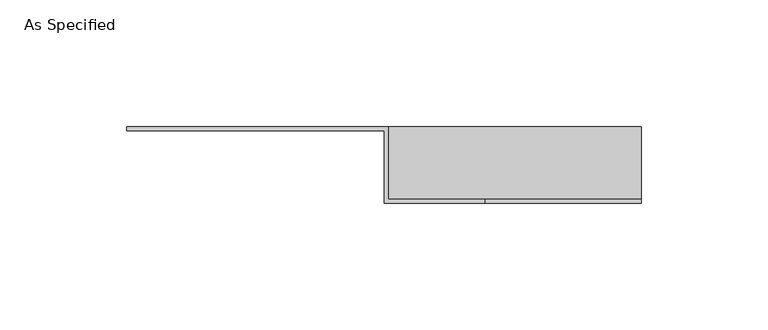
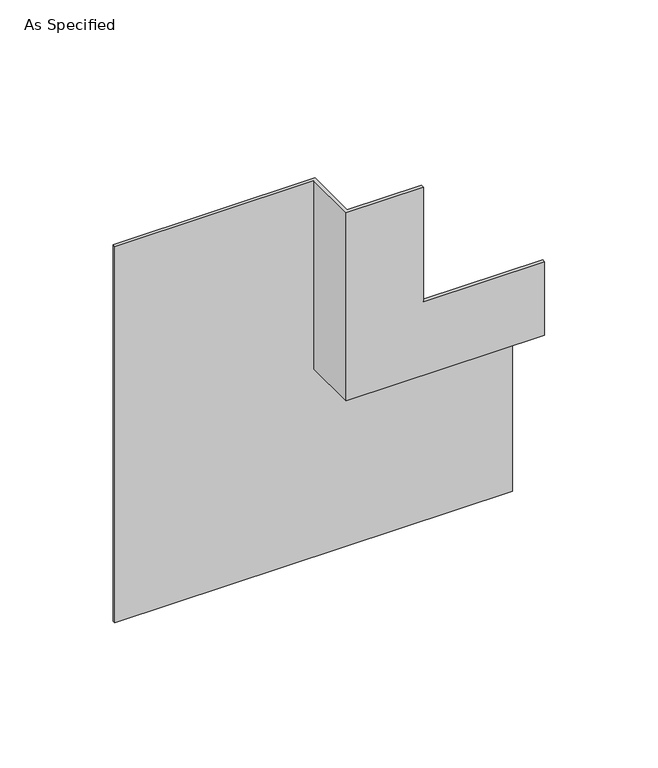
"""IFC4 building model written with IfcOpenShell, lengths in millimetres: proxy geometry, As Specified."""

from ifc_helpers import new_model, si_unit, origin, place, context, project, spatial, faceted_brep, source, transform, mapped, element, save


def as_specified_6b08f8cc(model_context):
    return source(origin(), model_context, "Body", "Brep", [
        faceted_brep([(101.6, 0.0, 0.0), (101.6, 1.5875, 0.0), (101.6, 1.5875, 103.1875), (101.6, -26.9875, 103.1875), (101.6, -26.9875, 141.2875), (101.6, -28.575, 141.2875), (101.6, -28.575, 101.6), (101.6, 0.0, 101.6), (-101.6, 0.0, 0.0), (-101.6, 1.5875, 0.0), (-101.6, 1.5875, 203.2), (1.5875, 1.5875, 203.2), (1.5875, 1.5875, 103.1875), (1.5875, -26.9875, 103.1875), (1.5875, -26.9875, 203.2), (39.6875, -26.9875, 203.2), (39.6875, -26.9875, 141.2875), (39.6875, -28.575, 141.2875), (39.6875, -28.575, 203.2), (0.0, -28.575, 203.2), (0.0, -28.575, 101.6), (0.0, 0.0, 101.6), (0.0, 0.0, 203.2), (-101.6, 0.0, 203.2)], [[[0, 1, 2, 3, 4, 5, 6, 7]], [[1, 0, 8, 9]], [[2, 1, 9, 10, 11, 12]], [[3, 2, 12, 13]], [[4, 3, 13, 14, 15, 16]], [[5, 4, 16, 17]], [[6, 5, 17, 18, 19, 20]], [[7, 6, 20, 21]], [[0, 7, 21, 22, 23, 8]], [[23, 22, 19, 18, 15, 14, 11, 10]], [[9, 8, 23, 10]], [[13, 12, 11, 14]], [[17, 16, 15, 18]], [[21, 20, 19, 22]]]),
    ])


if __name__ == "__main__":
    model = new_model("IFC4")
    model_context = context("Model", 3, world=origin())
    ifc_project = project(units=[si_unit("LENGTHUNIT", "METRE", prefix="MILLI")], contexts=[model_context])
    site = spatial("IfcSite", under=ifc_project)
    building = spatial("IfcBuilding", under=site)
    placement = place(None, origin())
    as_specified_shape = as_specified_6b08f8cc(model_context)
    element("IfcBuildingElementProxy", 1, Name="As Specified", ObjectType="As Specified", at=placement, inside=building, context=model_context, shape_type="MappedRepresentation", body=[
        mapped(as_specified_shape, transform((0.0, 0.0, 0.0), x_axis=(1.0, 0.0, 0.0), y_axis=(0.0, 1.0, 0.0), z_axis=(0.0, 0.0, 1.0))),
    ])
    save(model, "model.ifc")
